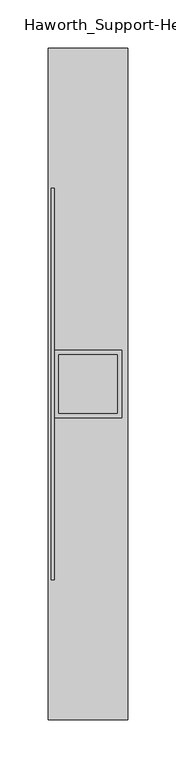
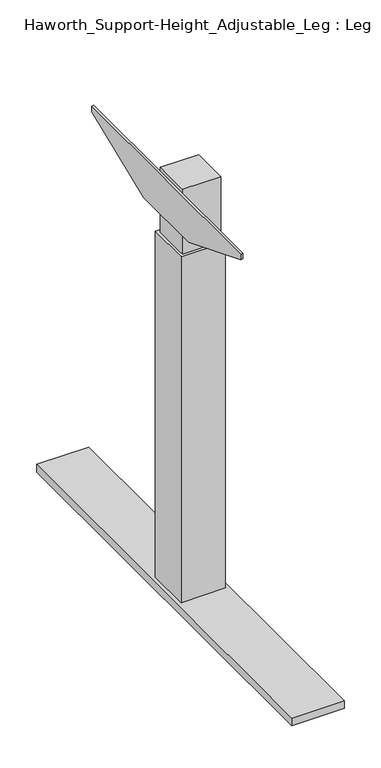
"""IFC4 building model written with IfcOpenShell, lengths in millimetres: furniture geometry, Haworth_Support-Height_Adjustable_Leg : Leg."""

from ifc_helpers import new_model, si_unit, point, frame, frame_2d, origin, origin_with_axes, place, context, project, spatial, polyline, circle_curve, trimmed, segment, composite_curve, outline, extrude, faceted_brep, source, transform, mapped, element, save


def haworth_support_height_adjustable_leg_leg_85d5cad2(model_context):
    return source(origin(), model_context, "Body", "SolidModel", [
        extrude(outline(polyline([(30.1625, -111.91875), (30.1625, -172.24375), (-30.1625, -172.24375), (-30.1625, -111.91875), (30.1625, -111.91875)])), frame((0.0, 0.0, 598.4875), z_axis=(0.0, 0.0, 1.0), x_axis=(1.0, 0.0, 0.0)), (0.0, 0.0, 1.0), 107.95),
        faceted_brep([(41.275, 206.375, 9.525), (41.275, 206.375, 22.225), (41.275, -490.5375, 22.225), (41.275, -490.5375, 9.525), (-41.275, 206.375, 9.525), (-41.275, -490.5375, 9.525), (-41.275, -490.5375, 22.225), (-41.275, 206.375, 22.225), (34.925, -107.15625, 598.4875), (-34.925, -107.15625, 598.4875), (-34.925, -177.00625, 598.4875), (34.925, -177.00625, 598.4875), (34.925, -107.15625, 22.225), (-34.925, -107.15625, 22.225), (-34.925, -177.00625, 22.225), (34.925, -177.00625, 22.225)], [[[0, 1, 2, 3]], [[4, 5, 6, 7]], [[0, 3, 5, 4]], [[8, 9, 10, 11]], [[9, 8, 12, 13]], [[10, 9, 13, 14]], [[11, 10, 14, 15]], [[8, 11, 15, 12]], [[1, 0, 4, 7]], [[2, 1, 7, 6], [13, 12, 15, 14]], [[3, 2, 6, 5]]]),
        extrude(outline(polyline([(61.11875, 706.4375), (61.11875, 697.1238172), (-80.8554921, 639.7625), (-203.3070079, 639.7625), (-345.28125, 697.1238172), (-345.28125, 706.4375), (61.11875, 706.4375)])), frame((-38.1, 0.0, 0.0), z_axis=(1.0, 0.0, 0.0), x_axis=(0.0, 1.0, 0.0)), (0.0, 0.0, 1.0), 3.175),
        extrude(outline(composite_curve([segment(trimmed(circle_curve(frame_2d((0.0, 138.1125)), 28.5342152), [point((-28.5342152, 138.1125))], [point((28.5342152, 138.1125))], False, "CARTESIAN"), True, "CONTINUOUS"), segment(trimmed(circle_curve(frame_2d((0.0, 138.1125)), 28.5342152), [point((28.5342152, 138.1125))], [point((-28.5342152, 138.1125))], False, "CARTESIAN"), True, "CONTINUOUS")], self_intersect=False)), origin_with_axes(), (0.0, 0.0, 1.0), 9.525),
        extrude(outline(composite_curve([segment(trimmed(circle_curve(frame_2d((0.0, -384.175)), 28.6553383), [point((-28.6553383, -384.175))], [point((28.6553383, -384.175))], False, "CARTESIAN"), True, "CONTINUOUS"), segment(trimmed(circle_curve(frame_2d((0.0, -384.175)), 28.6553383), [point((28.6553383, -384.175))], [point((-28.6553383, -384.175))], False, "CARTESIAN"), True, "CONTINUOUS")], self_intersect=False)), origin_with_axes(), (0.0, 0.0, 1.0), 9.525),
    ])


if __name__ == "__main__":
    model = new_model("IFC4")
    model_context = context("Model", 3, world=origin())
    ifc_project = project(units=[si_unit("LENGTHUNIT", "METRE", prefix="MILLI")], contexts=[model_context])
    site = spatial("IfcSite", under=ifc_project)
    building = spatial("IfcBuilding", under=site)
    placement = place(None, origin())
    haworth_support_height_adjustable_leg_leg_shape = haworth_support_height_adjustable_leg_leg_85d5cad2(model_context)
    element("IfcFurniture", 1, ObjectType="Haworth_Support-Height_Adjustable_Leg : Leg", at=placement, inside=building, context=model_context, shape_type="MappedRepresentation", body=[
        mapped(haworth_support_height_adjustable_leg_leg_shape, transform((0.0, 0.0, 0.0), x_axis=(1.0, 0.0, 0.0), y_axis=(0.0, 1.0, 0.0), z_axis=(0.0, 0.0, 1.0))),
    ])
    save(model, "model.ifc")
